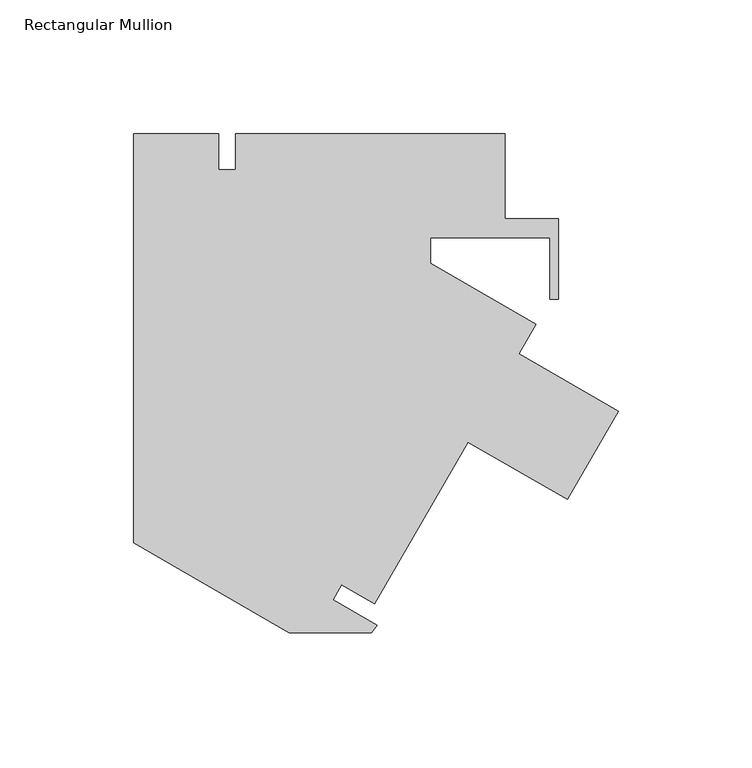
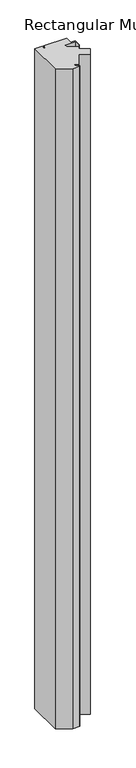
"""IFC4 building model written with IfcOpenShell, lengths in millimetres: member geometry, Rectangular Mullion."""

from ifc_helpers import new_model, si_unit, frame, origin, place, context, project, spatial, polyline, outline, extrude, source, transform, mapped, element, save


def rectangular_mullion_cb64739c(model_context):
    return source(origin(), model_context, "Body", "SweptSolid", [
        extrude(outline(polyline([(-149.4842318, 82.55), (-149.4842318, 69.0626), (-143.1342318, 69.0626), (-143.1342318, 82.55), (-42.3216318, 82.55), (-42.3216318, 50.8), (-22.4717362, 50.8), (-22.4717362, 20.6756), (-25.6467362, 20.6756), (-25.6467362, 43.688), (-70.1155818, 43.688), (-70.1155818, 34.114606), (-30.7700139, 11.3984318), (-37.1200139, 0.3999092), (0.0, -21.0313408), (-19.05, -54.0269087), (-56.1700139, -32.5956587), (-91.0950393, -93.0875771), (-103.4683772, -85.9438271), (-106.6817043, -91.5094729), (-90.2713823, -100.9839768), (-92.2085801, -103.8559907), (-123.0485927, -103.8570678), (-181.1389818, -70.318566), (-181.1389818, 82.55), (-149.4842318, 82.55)])), frame((0.0, 0.0, -3048.0), z_axis=(0.0, 0.0, 1.0), x_axis=(1.0, 0.0, 0.0)), (0.0, 0.0, 1.0), 3048.0),
    ])


if __name__ == "__main__":
    model = new_model("IFC4")
    model_context = context("Model", 3, world=origin())
    ifc_project = project(units=[si_unit("LENGTHUNIT", "METRE", prefix="MILLI")], contexts=[model_context])
    site = spatial("IfcSite", under=ifc_project)
    building = spatial("IfcBuilding", under=site)
    placement = place(None, origin())
    rectangular_mullion_shape = rectangular_mullion_cb64739c(model_context)
    element("IfcMember", 1, ObjectType="Rectangular Mullion", at=placement, inside=building, context=model_context, shape_type="MappedRepresentation", body=[
        mapped(rectangular_mullion_shape, transform((0.0, 0.0, 0.0), x_axis=(1.0, 0.0, 0.0), y_axis=(0.0, 1.0, 0.0), z_axis=(0.0, 0.0, 1.0))),
    ])
    save(model, "model.ifc")
